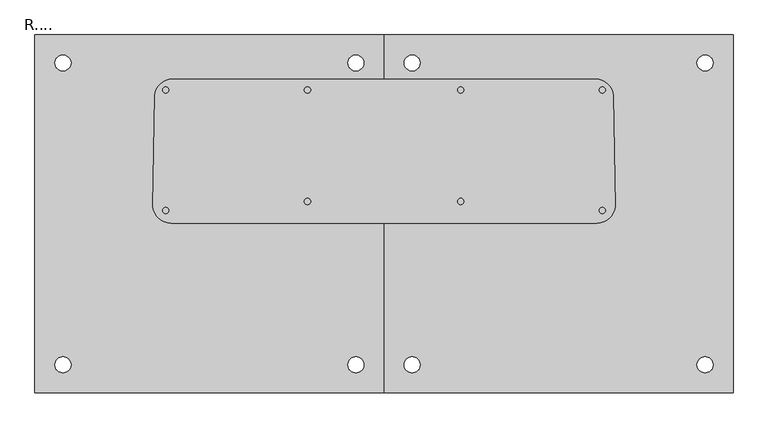
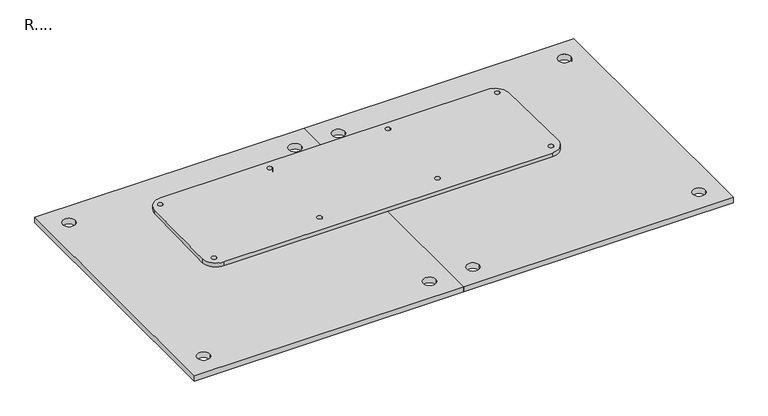
"""IFC4 building model written with IfcOpenShell, lengths in millimetres: proxy geometry, R....."""

from ifc_helpers import new_model, si_unit, point, frame, frame_2d, origin, origin_with_axes, place, context, project, spatial, polyline, circle_curve, trimmed, segment, composite_curve, outline, extrude, source, transform, mapped, element, save


def r_1eacb5f7(model_context):
    return source(origin(), model_context, "Body", "SweptSolid", [
        extrude(outline(polyline([(957.5, 318.7427969), (957.5, -663.2572031), (0.0, -663.2572031), (0.0, 318.7427969), (957.5, 318.7427969)]), holes=[composite_curve([segment(trimmed(circle_curve(frame_2d((880.5, -586.2572031)), 22.0), [point((858.5, -586.2572031))], [point((902.5, -586.2572031))], True, "CARTESIAN"), True, "CONTINUOUS"), segment(trimmed(circle_curve(frame_2d((880.5, -586.2572031)), 22.0), [point((902.5, -586.2572031))], [point((858.5, -586.2572031))], True, "CARTESIAN"), True, "CONTINUOUS")], self_intersect=False), composite_curve([segment(trimmed(circle_curve(frame_2d((77.0, -586.2572031)), 22.0), [point((55.0, -586.2572031))], [point((99.0, -586.2572031))], True, "CARTESIAN"), True, "CONTINUOUS"), segment(trimmed(circle_curve(frame_2d((77.0, -586.2572031)), 22.0), [point((99.0, -586.2572031))], [point((55.0, -586.2572031))], True, "CARTESIAN"), True, "CONTINUOUS")], self_intersect=False), composite_curve([segment(trimmed(circle_curve(frame_2d((880.5, 241.7427969)), 22.0), [point((858.5, 241.7427969))], [point((902.5, 241.7427969))], True, "CARTESIAN"), True, "CONTINUOUS"), segment(trimmed(circle_curve(frame_2d((880.5, 241.7427969)), 22.0), [point((902.5, 241.7427969))], [point((858.5, 241.7427969))], True, "CARTESIAN"), True, "CONTINUOUS")], self_intersect=False), composite_curve([segment(trimmed(circle_curve(frame_2d((77.0, 241.7427969)), 22.0), [point((55.0, 241.7427969))], [point((99.0, 241.7427969))], True, "CARTESIAN"), True, "CONTINUOUS"), segment(trimmed(circle_curve(frame_2d((77.0, 241.7427969)), 22.0), [point((99.0, 241.7427969))], [point((55.0, 241.7427969))], True, "CARTESIAN"), True, "CONTINUOUS")], self_intersect=False)]), origin_with_axes(), (0.0, 0.0, 1.0), 20.0),
        extrude(outline(polyline([(0.0, 318.7427969), (0.0, -663.2572031), (-957.5, -663.2572031), (-957.5, 318.7427969), (0.0, 318.7427969)]), holes=[composite_curve([segment(trimmed(circle_curve(frame_2d((-77.0, -586.2572031)), 22.0), [point((-99.0, -586.2572031))], [point((-55.0, -586.2572031))], True, "CARTESIAN"), True, "CONTINUOUS"), segment(trimmed(circle_curve(frame_2d((-77.0, -586.2572031)), 22.0), [point((-55.0, -586.2572031))], [point((-99.0, -586.2572031))], True, "CARTESIAN"), True, "CONTINUOUS")], self_intersect=False), composite_curve([segment(trimmed(circle_curve(frame_2d((-880.5, -586.2572031)), 22.0), [point((-902.5, -586.2572031))], [point((-858.5, -586.2572031))], True, "CARTESIAN"), True, "CONTINUOUS"), segment(trimmed(circle_curve(frame_2d((-880.5, -586.2572031)), 22.0), [point((-858.5, -586.2572031))], [point((-902.5, -586.2572031))], True, "CARTESIAN"), True, "CONTINUOUS")], self_intersect=False), composite_curve([segment(trimmed(circle_curve(frame_2d((-77.0, 241.7427969)), 22.0), [point((-99.0, 241.7427969))], [point((-55.0, 241.7427969))], True, "CARTESIAN"), True, "CONTINUOUS"), segment(trimmed(circle_curve(frame_2d((-77.0, 241.7427969)), 22.0), [point((-55.0, 241.7427969))], [point((-99.0, 241.7427969))], True, "CARTESIAN"), True, "CONTINUOUS")], self_intersect=False), composite_curve([segment(trimmed(circle_curve(frame_2d((-880.5, 241.7427969)), 22.0), [point((-902.5, 241.7427969))], [point((-858.5, 241.7427969))], True, "CARTESIAN"), True, "CONTINUOUS"), segment(trimmed(circle_curve(frame_2d((-880.5, 241.7427969)), 22.0), [point((-858.5, 241.7427969))], [point((-902.5, 241.7427969))], True, "CARTESIAN"), True, "CONTINUOUS")], self_intersect=False)]), origin_with_axes(), (0.0, 0.0, 1.0), 20.0),
        extrude(outline(composite_curve([segment(trimmed(circle_curve(frame_2d((579.3752879, 147.5030906)), 50.0), [point((579.3752879, 197.5030906))], [point((629.137744, 152.3711462))], False, "CARTESIAN"), True, "CONTINUOUS"), segment(trimmed(circle_curve(frame_2d((-1212.073131, -27.7469094)), 1850.0), [point((629.137744, 152.3711462))], [point((633.8283297, -150.8232982))], False, "CARTESIAN"), True, "CONTINUOUS"), segment(trimmed(circle_curve(frame_2d((583.939101, -147.4969094)), 50.0), [point((633.8283297, -150.8232982))], [point((583.939101, -197.4969094))], False, "CARTESIAN"), True, "CONTINUOUS"), segment(polyline([(583.939101, -197.4969094), (-583.9051699, -197.4969094)]), True, "CONTINUOUS"), segment(trimmed(circle_curve(frame_2d((-583.9051699, -147.4969094)), 50.0), [point((-583.9051699, -197.4969094))], [point((-633.7943985, -150.8232982))], False, "CARTESIAN"), True, "CONTINUOUS"), segment(trimmed(circle_curve(frame_2d((1212.1070621, -27.7469094)), 1850.0), [point((-633.7943985, -150.8232982))], [point((-629.1038128, 152.3711462))], False, "CARTESIAN"), True, "CONTINUOUS"), segment(trimmed(circle_curve(frame_2d((-579.3413567, 147.5030906)), 50.0), [point((-629.1038128, 152.3711462))], [point((-579.3413567, 197.5030906))], False, "CARTESIAN"), True, "CONTINUOUS"), segment(polyline([(-579.3413567, 197.5030906), (579.3752879, 197.5030906)]), True, "CONTINUOUS")], self_intersect=False), holes=[composite_curve([segment(trimmed(circle_curve(frame_2d((-598.8929379, 167.5030906)), 8.5), [point((-590.3929379, 167.5030906))], [point((-607.3929379, 167.5030906))], True, "CARTESIAN"), True, "CONTINUOUS"), segment(trimmed(circle_curve(frame_2d((-598.8929379, 167.5030906)), 8.5), [point((-607.3929379, 167.5030906))], [point((-590.3929379, 167.5030906))], True, "CARTESIAN"), True, "CONTINUOUS")], self_intersect=False), composite_curve([segment(trimmed(circle_curve(frame_2d((-598.8929379, -162.9969094)), 8.5), [point((-590.3929379, -162.9969094))], [point((-607.3929379, -162.9969094))], True, "CARTESIAN"), True, "CONTINUOUS"), segment(trimmed(circle_curve(frame_2d((-598.8929379, -162.9969094)), 8.5), [point((-607.3929379, -162.9969094))], [point((-590.3929379, -162.9969094))], True, "CARTESIAN"), True, "CONTINUOUS")], self_intersect=False), composite_curve([segment(trimmed(circle_curve(frame_2d((-209.8929379, -137.9969094)), 8.5), [point((-218.3929379, -137.9969094))], [point((-201.3929379, -137.9969094))], True, "CARTESIAN"), True, "CONTINUOUS"), segment(trimmed(circle_curve(frame_2d((-209.8929379, -137.9969094)), 8.5), [point((-201.3929379, -137.9969094))], [point((-218.3929379, -137.9969094))], True, "CARTESIAN"), True, "CONTINUOUS")], self_intersect=False), composite_curve([segment(trimmed(circle_curve(frame_2d((-209.8929379, 167.5030906)), 8.5), [point((-201.3929379, 167.5030906))], [point((-218.3929379, 167.5030906))], True, "CARTESIAN"), True, "CONTINUOUS"), segment(trimmed(circle_curve(frame_2d((-209.8929379, 167.5030906)), 8.5), [point((-218.3929379, 167.5030906))], [point((-201.3929379, 167.5030906))], True, "CARTESIAN"), True, "CONTINUOUS")], self_intersect=False), composite_curve([segment(trimmed(circle_curve(frame_2d((210.1031904, 167.5030906)), 8.5), [point((218.6031904, 167.5030906))], [point((201.6031904, 167.5030906))], True, "CARTESIAN"), True, "CONTINUOUS"), segment(trimmed(circle_curve(frame_2d((210.1031904, 167.5030906)), 8.5), [point((201.6031904, 167.5030906))], [point((218.6031904, 167.5030906))], True, "CARTESIAN"), True, "CONTINUOUS")], self_intersect=False), composite_curve([segment(trimmed(circle_curve(frame_2d((210.1031904, -137.9969094)), 8.5), [point((201.6031904, -137.9969094))], [point((218.6031904, -137.9969094))], True, "CARTESIAN"), True, "CONTINUOUS"), segment(trimmed(circle_curve(frame_2d((210.1031904, -137.9969094)), 8.5), [point((218.6031904, -137.9969094))], [point((201.6031904, -137.9969094))], True, "CARTESIAN"), True, "CONTINUOUS")], self_intersect=False), composite_curve([segment(trimmed(circle_curve(frame_2d((599.1070621, -162.9969094)), 8.5), [point((607.6070621, -162.9969094))], [point((590.6070621, -162.9969094))], True, "CARTESIAN"), True, "CONTINUOUS"), segment(trimmed(circle_curve(frame_2d((599.1070621, -162.9969094)), 8.5), [point((590.6070621, -162.9969094))], [point((607.6070621, -162.9969094))], True, "CARTESIAN"), True, "CONTINUOUS")], self_intersect=False), composite_curve([segment(trimmed(circle_curve(frame_2d((599.1070621, 167.5030906)), 8.5), [point((607.6070621, 167.5030906))], [point((590.6070621, 167.5030906))], True, "CARTESIAN"), True, "CONTINUOUS"), segment(trimmed(circle_curve(frame_2d((599.1070621, 167.5030906)), 8.5), [point((590.6070621, 167.5030906))], [point((607.6070621, 167.5030906))], True, "CARTESIAN"), True, "CONTINUOUS")], self_intersect=False)]), frame((0.0, 0.0, 20.0), z_axis=(0.0, 0.0, 1.0), x_axis=(1.0, 0.0, 0.0)), (0.0, 0.0, 1.0), 15.0),
    ])


if __name__ == "__main__":
    model = new_model("IFC4")
    model_context = context("Model", 3, world=origin())
    ifc_project = project(units=[si_unit("LENGTHUNIT", "METRE", prefix="MILLI")], contexts=[model_context])
    site = spatial("IfcSite", under=ifc_project)
    building = spatial("IfcBuilding", under=site)
    placement = place(None, origin())
    r_shape = r_1eacb5f7(model_context)
    element("IfcBuildingElementProxy", 1, Name="R....", ObjectType="R....", at=placement, inside=building, context=model_context, shape_type="MappedRepresentation", body=[
        mapped(r_shape, transform((0.0, 0.0, 0.0), x_axis=(1.0, 0.0, 0.0), y_axis=(0.0, 1.0, 0.0), z_axis=(0.0, 0.0, 1.0))),
    ])
    save(model, "model.ifc")
